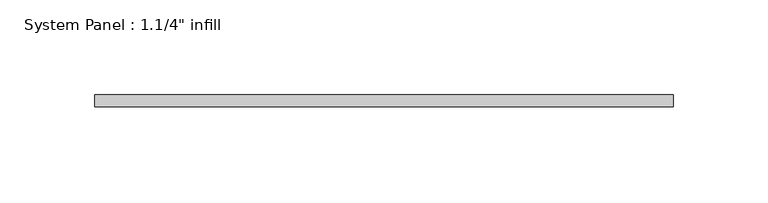
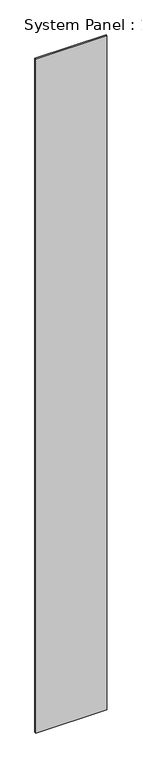
"""IFC4 building model written with IfcOpenShell, lengths in millimetres: plate geometry."""

from ifc_helpers import new_model, si_unit, origin, origin_with_axes, place, context, project, spatial, polyline, outline, extrude, source, transform, mapped, element, save


def plate_eca616c8(model_context):
    return source(origin(), model_context, "Body", "SweptSolid", [
        extrude(outline(polyline([(152.4, -6.2507813), (-152.4, -6.2507813), (-152.4, 0.0992187), (152.4, 0.0992187), (152.4, -6.2507813)])), origin_with_axes(), (0.0, 0.0, 1.0), 3048.0),
    ])


if __name__ == "__main__":
    model = new_model("IFC4")
    model_context = context("Model", 3, world=origin())
    ifc_project = project(units=[si_unit("LENGTHUNIT", "METRE", prefix="MILLI")], contexts=[model_context])
    site = spatial("IfcSite", under=ifc_project)
    building = spatial("IfcBuilding", under=site)
    placement = place(None, origin())
    plate_shape = plate_eca616c8(model_context)
    element("IfcPlate", 1, ObjectType="System Panel : 1.1/4\" infill", at=placement, inside=building, context=model_context, shape_type="MappedRepresentation", body=[
        mapped(plate_shape, transform((0.0, 0.0, 0.0), x_axis=(1.0, 0.0, 0.0), y_axis=(0.0, 1.0, 0.0), z_axis=(0.0, 0.0, 1.0))),
    ])
    save(model, "model.ifc")
